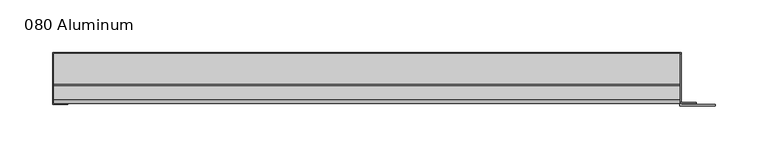
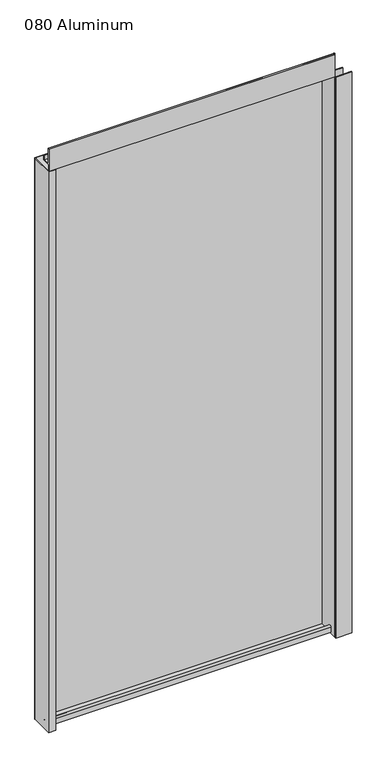
"""IFC4 building model written with IfcOpenShell, lengths in millimetres: plate geometry, 080 Aluminum."""

from ifc_helpers import new_model, si_unit, point, frame, frame_2d, origin, origin_with_axes, place, context, project, spatial, polyline, circle_curve, trimmed, segment, composite_curve, outline, extrude, source, transform, mapped, element, save


def plate_080_aluminum_40932f0c(model_context):
    return source(origin(), model_context, "Body", "SweptSolid", [
        extrude(outline(polyline([(-303.53, 2.5660257), (-290.6394994, 2.5660257), (-290.6394994, 1.2699999), (-304.7999999, 1.2699999), (-304.7999999, 49.5300001), (-303.53, 49.5300001), (-303.53, 2.5660257)])), origin_with_axes(), (0.0, 0.0, 1.0), 1230.63),
        extrude(outline(composite_curve([segment(trimmed(circle_curve(frame_2d((19.8514743, 13.124237)), 3.175), [point((16.6765477, 13.1458337))], [point((23.0264743, 13.124237))], False, "CARTESIAN"), True, "CONTINUOUS"), segment(polyline([(23.0264743, 13.124237), (23.0264743, 1.2693678), (49.5300002, 1.2693678), (49.5300002, 0.0), (21.7564743, 0.0), (21.7564743, 13.124237)]), True, "CONTINUOUS"), segment(trimmed(circle_curve(frame_2d((19.8514743, 13.124237)), 1.905), [point((21.7564743, 13.124237))], [point((17.9464915, 13.1323356))], True, "CARTESIAN"), True, "CONTINUOUS"), segment(polyline([(17.9464915, 13.1323356), (17.9464915, 2.786437), (16.6765477, 2.786437), (16.6765477, 13.1458337)]), True, "CONTINUOUS")], self_intersect=False)), frame((-303.53, 0.0, 0.0), z_axis=(1.0, 0.0, 0.0), x_axis=(0.0, 1.0, 0.0)), (0.0, 0.0, 1.0), 594.36),
        extrude(outline(composite_curve([segment(trimmed(circle_curve(frame_2d((3.7084742, 1279.0932001)), 1.6509999), [point((2.0574743, 1279.0932001))], [point((5.3594742, 1279.0932001))], False, "CARTESIAN"), True, "CONTINUOUS"), segment(polyline([(5.3594742, 1279.0932001), (5.3594742, 1245.87), (19.2164743, 1245.87), (19.2164743, 1255.9538), (20.4864742, 1255.9538), (20.4864742, 1244.6), (4.0894742, 1244.6), (4.0894742, 1279.0932001)]), True, "CONTINUOUS"), segment(trimmed(circle_curve(frame_2d((3.7084742, 1279.0932001)), 0.3809999), [point((4.0894742, 1279.0932001))], [point((3.3274743, 1279.0932001))], True, "CARTESIAN"), True, "CONTINUOUS"), segment(polyline([(3.3274743, 1279.0932001), (3.3274743, 1231.9000001), (49.5300002, 1231.9000001), (49.5300002, 1230.63), (2.0574743, 1230.63), (2.0574743, 1279.0932001)]), True, "CONTINUOUS")], self_intersect=False)), frame((-303.53, 0.0, 0.0), z_axis=(1.0, 0.0, 0.0), x_axis=(0.0, 1.0, 0.0)), (0.0, 0.0, 1.0), 594.36),
        extrude(outline(polyline([(-304.8, 50.8), (292.1, 50.8), (292.1, 49.5300001), (-304.8, 49.5300001), (-304.8, 50.8)])), origin_with_axes(), (0.0, 0.0, 1.0), 1231.9),
        extrude(outline(polyline([(292.1, 1.2699999), (324.6120856, 1.2699999), (324.6120856, 0.0), (290.8300001, 0.0), (290.8300001, 49.5300002), (292.1, 49.5300002), (292.1, 1.2699999)])), origin_with_axes(), (0.0, 0.0, 1.0), 1230.63),
        extrude(outline(polyline([(290.83, 3.3274743), (306.5779999, 3.3274743), (306.5779999, 2.0574743), (290.83, 2.0574743), (290.83, 3.3274743)])), origin_with_axes(), (0.0, 0.0, 1.0), 1244.6),
    ])


if __name__ == "__main__":
    model = new_model("IFC4")
    model_context = context("Model", 3, world=origin())
    ifc_project = project(units=[si_unit("LENGTHUNIT", "METRE", prefix="MILLI")], contexts=[model_context])
    site = spatial("IfcSite", under=ifc_project)
    building = spatial("IfcBuilding", under=site)
    placement = place(None, origin())
    plate_080_aluminum_shape = plate_080_aluminum_40932f0c(model_context)
    element("IfcPlate", 1, ObjectType="080 Aluminum", at=placement, inside=building, context=model_context, shape_type="MappedRepresentation", body=[
        mapped(plate_080_aluminum_shape, transform((0.0, 0.0, 0.0), x_axis=(1.0, 0.0, 0.0), y_axis=(0.0, 1.0, 0.0), z_axis=(0.0, 0.0, 1.0))),
    ])
    save(model, "model.ifc")
